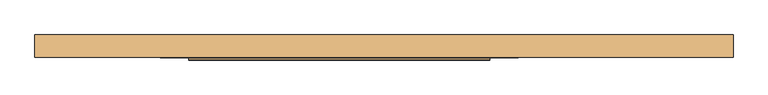
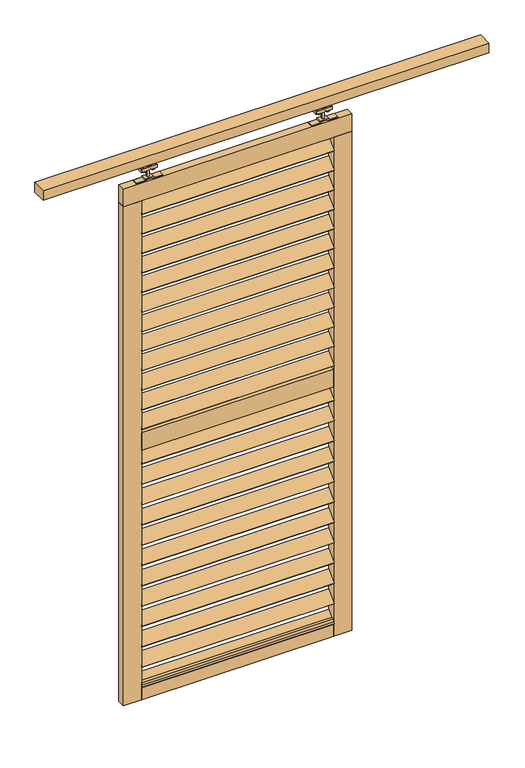
"""IFC4 building model written with IfcOpenShell, lengths in millimetres: door geometry."""

from ifc_helpers import new_model, si_unit, point, frame, frame_2d, origin, place, context, project, spatial, polyline, circle_curve, trimmed, segment, composite_curve, outline, extrude, source, transform, mapped, element, save


def door_cfd5675d(model_context):
    return source(origin(), model_context, "Body", "SweptSolid", [
        extrude(outline(polyline([(0.0, -5.0), (0.0, 0.0), (840.0, 0.0), (840.0, -5.0), (0.0, -5.0)])), frame((-472.5, -24.1880102, 2195.6099387), z_axis=(0.0, 0.7071067811865482, 0.707106781186547), x_axis=(1.0, 0.0, 0.0)), (0.0, 0.0, 1.0), 60.0),
        extrude(outline(polyline([(0.0, -5.0), (0.0, 0.0), (840.0, 0.0), (840.0, -5.0), (0.0, -5.0)])), frame((-472.5, -24.1880102, 1037.4735751), z_axis=(0.0, 0.7071067811865482, 0.707106781186547), x_axis=(1.0, 0.0, 0.0)), (0.0, 0.0, 1.0), 60.0),
        extrude(outline(polyline([(0.0, -5.0), (0.0, 0.0), (840.0, 0.0), (840.0, -5.0), (0.0, -5.0)])), frame((-472.5, -24.1880102, 2105.2008478), z_axis=(0.0, 0.7071067811865482, 0.707106781186547), x_axis=(1.0, 0.0, 0.0)), (0.0, 0.0, 1.0), 60.0),
        extrude(outline(polyline([(0.0, -5.0), (0.0, 0.0), (840.0, 0.0), (840.0, -5.0), (0.0, -5.0)])), frame((-472.5, -24.1880102, 2014.7917569), z_axis=(0.0, 0.7071067811865482, 0.707106781186547), x_axis=(1.0, 0.0, 0.0)), (0.0, 0.0, 1.0), 60.0),
        extrude(outline(polyline([(0.0, -5.0), (0.0, 0.0), (840.0, 0.0), (840.0, -5.0), (0.0, -5.0)])), frame((-472.5, -24.1880102, 1924.382666), z_axis=(0.0, 0.7071067811865482, 0.707106781186547), x_axis=(1.0, 0.0, 0.0)), (0.0, 0.0, 1.0), 60.0),
        extrude(outline(polyline([(0.0, -5.0), (0.0, 0.0), (840.0, 0.0), (840.0, -5.0), (0.0, -5.0)])), frame((-472.5, -24.1880102, 1833.9735751), z_axis=(0.0, 0.7071067811865482, 0.707106781186547), x_axis=(1.0, 0.0, 0.0)), (0.0, 0.0, 1.0), 60.0),
        extrude(outline(polyline([(0.0, -5.0), (0.0, 0.0), (840.0, 0.0), (840.0, -5.0), (0.0, -5.0)])), frame((-472.5, -24.1880102, 943.4281205), z_axis=(0.0, 0.7071067811865482, 0.707106781186547), x_axis=(1.0, 0.0, 0.0)), (0.0, 0.0, 1.0), 60.0),
        extrude(outline(polyline([(0.0, -5.0), (0.0, 0.0), (840.0, 0.0), (840.0, -5.0), (0.0, -5.0)])), frame((-472.5, -24.1880102, 849.382666), z_axis=(0.0, 0.7071067811865482, 0.707106781186547), x_axis=(1.0, 0.0, 0.0)), (0.0, 0.0, 1.0), 60.0),
        extrude(outline(polyline([(0.0, -5.0), (0.0, 0.0), (840.0, 0.0), (840.0, -5.0), (0.0, -5.0)])), frame((-472.5, -24.1880102, 755.3372114), z_axis=(0.0, 0.7071067811865482, 0.707106781186547), x_axis=(1.0, 0.0, 0.0)), (0.0, 0.0, 1.0), 60.0),
        extrude(outline(polyline([(0.0, -5.0), (0.0, 0.0), (840.0, 0.0), (840.0, -5.0), (0.0, -5.0)])), frame((-472.5, -24.1880102, 661.2917569), z_axis=(0.0, 0.7071067811865482, 0.707106781186547), x_axis=(1.0, 0.0, 0.0)), (0.0, 0.0, 1.0), 60.0),
        extrude(outline(polyline([(0.0, -5.0), (0.0, 0.0), (840.0, 0.0), (840.0, -5.0), (0.0, -5.0)])), frame((-472.5, -24.1880102, 1743.5644842), z_axis=(0.0, 0.7071067811865482, 0.707106781186547), x_axis=(1.0, 0.0, 0.0)), (0.0, 0.0, 1.0), 60.0),
        extrude(outline(polyline([(0.0, -5.0000001), (0.0, 0.0), (840.0, 0.0), (840.0, -5.0000001), (0.0, -5.0000001)])), frame((-472.5, -24.1880102, 1653.1553932), z_axis=(0.0, 0.7071067811865482, 0.707106781186547), x_axis=(1.0, 0.0, 0.0)), (0.0, 0.0, 1.0), 60.0),
        extrude(outline(polyline([(0.0, -5.0), (0.0, 0.0), (840.0, 0.0), (840.0, -5.0), (0.0, -5.0)])), frame((-472.5, -24.1880102, 1562.7463023), z_axis=(0.0, 0.7071067811865482, 0.707106781186547), x_axis=(1.0, 0.0, 0.0)), (0.0, 0.0, 1.0), 60.0),
        extrude(outline(polyline([(0.0, -5.0), (0.0, 0.0), (840.0, 0.0), (840.0, -5.0), (0.0, -5.0)])), frame((-472.5, -24.1880102, 1472.3372114), z_axis=(0.0, 0.7071067811865482, 0.707106781186547), x_axis=(1.0, 0.0, 0.0)), (0.0, 0.0, 1.0), 60.0),
        extrude(outline(polyline([(0.0, -5.0), (0.0, 0.0), (840.0, 0.0), (840.0, -5.0), (0.0, -5.0)])), frame((-472.5, -24.1880102, 1381.9281205), z_axis=(0.0, 0.7071067811865482, 0.707106781186547), x_axis=(1.0, 0.0, 0.0)), (0.0, 0.0, 1.0), 60.0),
        extrude(outline(polyline([(0.0, -5.0), (0.0, 0.0), (840.0, 0.0), (840.0, -5.0), (0.0, -5.0)])), frame((-472.5, -24.1880102, 2286.0190296), z_axis=(0.0, 0.7071067811865482, 0.707106781186547), x_axis=(1.0, 0.0, 0.0)), (0.0, 0.0, 1.0), 60.0),
        extrude(outline(polyline([(0.0, -5.0), (0.0, 0.0), (840.0, 0.0), (840.0, -5.0), (0.0, -5.0)])), frame((-472.5, -24.1880102, 1291.5190296), z_axis=(0.0, 0.7071067811865482, 0.707106781186547), x_axis=(1.0, 0.0, 0.0)), (0.0, 0.0, 1.0), 60.0),
        extrude(outline(polyline([(0.0, -5.0), (0.0, 0.0), (840.0, 0.0), (840.0, -5.0), (0.0, -5.0)])), frame((-472.5, -24.1880102, 567.2463023), z_axis=(0.0, 0.7071067811865482, 0.707106781186547), x_axis=(1.0, 0.0, 0.0)), (0.0, 0.0, 1.0), 60.0),
        extrude(outline(polyline([(0.0, -5.0), (0.0, 0.0), (840.0, 0.0), (840.0, -5.0), (0.0, -5.0)])), frame((-472.5, -24.1880102, 473.2008478), z_axis=(0.0, 0.7071067811865482, 0.707106781186547), x_axis=(1.0, 0.0, 0.0)), (0.0, 0.0, 1.0), 60.0),
        extrude(outline(polyline([(0.0, -5.0000001), (0.0, 0.0), (840.0, 0.0), (840.0, -5.0000001), (0.0, -5.0000001)])), frame((-472.5, -24.1880102, 379.1553932), z_axis=(0.0, 0.7071067811865482, 0.707106781186547), x_axis=(1.0, 0.0, 0.0)), (0.0, 0.0, 1.0), 60.0),
        extrude(outline(polyline([(0.0, -5.0), (0.0, 0.0), (840.0, 0.0), (840.0, -5.0), (0.0, -5.0)])), frame((-472.5, -24.1880102, 285.1099387), z_axis=(0.0, 0.7071067811865482, 0.707106781186547), x_axis=(1.0, 0.0, 0.0)), (0.0, 0.0, 1.0), 60.0),
        extrude(outline(polyline([(0.0, -5.0), (0.0, 0.0), (840.0, 0.0), (840.0, -5.0), (0.0, -5.0)])), frame((-472.5, -24.1880102, 191.0644842), z_axis=(0.0, 0.7071067811865482, 0.707106781186547), x_axis=(1.0, 0.0, 0.0)), (0.0, 0.0, 1.0), 60.0),
        extrude(outline(polyline([(0.0, -5.0), (0.0, 0.0), (840.0, 0.0), (840.0, -5.0), (0.0, -5.0)])), frame((-472.5, -24.1880102, 1131.5190296), z_axis=(0.0, 0.7071067811865482, 0.707106781186547), x_axis=(1.0, 0.0, 0.0)), (0.0, 0.0, 1.0), 60.0),
        extrude(outline(polyline([(0.0, -5.0), (0.0, 0.0), (840.0, 0.0), (840.0, -5.0), (0.0, -5.0)])), frame((-472.5, -24.1880102, 97.0190296), z_axis=(0.0, 0.7071067811865482, 0.707106781186547), x_axis=(1.0, 0.0, 0.0)), (0.0, 0.0, 1.0), 60.0),
        extrude(outline(polyline([(367.5, -22.2425737), (-472.5, -22.2425737), (-472.5, 12.7574263), (367.5, 12.7574263), (367.5, -22.2425737)])), frame((0.0, 0.0, 1194.5), z_axis=(0.0, 0.0, 1.0), x_axis=(1.0, 0.0, 0.0)), (0.0, 0.0, 1.0), 80.0),
        extrude(outline(polyline([(367.5, -22.2425737), (-472.5, -22.2425737), (-472.5, 12.7574263), (367.5, 12.7574263), (367.5, -22.2425737)])), frame((0.0, 0.0, 40.0), z_axis=(0.0, 0.0, 1.0), x_axis=(1.0, 0.0, 0.0)), (0.0, 0.0, 1.0), 80.0),
        extrude(outline(polyline([(447.5, -22.2425737), (-552.5, -22.2425737), (-552.5, 12.7574263), (447.5, 12.7574263), (447.5, -22.2425737)])), frame((0.0, 0.0, 2349.0), z_axis=(0.0, 0.0, 1.0), x_axis=(1.0, 0.0, 0.0)), (0.0, 0.0, 1.0), 80.0),
        extrude(outline(polyline([(-472.5, -22.2425737), (-552.5, -22.2425737), (-552.5, 12.7574263), (-472.5, 12.7574263), (-472.5, -22.2425737)])), frame((0.0, 0.0, 40.0), z_axis=(0.0, 0.0, 1.0), x_axis=(1.0, 0.0, 0.0)), (0.0, 0.0, 1.0), 2309.0),
        extrude(outline(polyline([(447.5, -22.2425737), (367.5, -22.2425737), (367.5, 12.7574263), (447.5, 12.7574263), (447.5, -22.2425737)])), frame((0.0, 0.0, 40.0), z_axis=(0.0, 0.0, 1.0), x_axis=(1.0, 0.0, 0.0)), (0.0, 0.0, 1.0), 2309.0),
        extrude(outline(composite_curve([segment(trimmed(circle_curve(frame_2d((2482.430297, -454.25)), 13.5), [point((2482.430297, -467.75))], [point((2482.430297, -440.75))], False, "CARTESIAN"), True, "CONTINUOUS"), segment(trimmed(circle_curve(frame_2d((2482.430297, -454.25)), 13.5), [point((2482.430297, -440.75))], [point((2482.430297, -467.75))], False, "CARTESIAN"), True, "CONTINUOUS")], self_intersect=False)), frame((0.0, -13.9509888, 0.0), z_axis=(0.0, 1.0, 0.0), x_axis=(0.0, 0.0, 1.0)), (0.0, 0.0, 1.0), 5.2084151),
        extrude(outline(composite_curve([segment(trimmed(circle_curve(frame_2d((2482.430297, -416.75)), 13.5), [point((2482.430297, -403.25))], [point((2482.430297, -430.25))], False, "CARTESIAN"), True, "CONTINUOUS"), segment(trimmed(circle_curve(frame_2d((2482.430297, -416.75)), 13.5), [point((2482.430297, -430.25))], [point((2482.430297, -403.25))], False, "CARTESIAN"), True, "CONTINUOUS")], self_intersect=False)), frame((0.0, -13.9509888, 0.0), z_axis=(0.0, 1.0, 0.0), x_axis=(0.0, 0.0, 1.0)), (0.0, 0.0, 1.0), 5.2084151),
        extrude(outline(composite_curve([segment(trimmed(circle_curve(frame_2d((2482.430297, -454.25)), 13.5), [point((2482.430297, -467.75))], [point((2482.430297, -440.75))], False, "CARTESIAN"), True, "CONTINUOUS"), segment(trimmed(circle_curve(frame_2d((2482.430297, -454.25)), 13.5), [point((2482.430297, -440.75))], [point((2482.430297, -467.75))], False, "CARTESIAN"), True, "CONTINUOUS")], self_intersect=False)), frame((0.0, -0.7425737, 0.0), z_axis=(0.0, 1.0, 0.0), x_axis=(0.0, 0.0, 1.0)), (0.0, 0.0, 1.0), 5.0880554),
        extrude(outline(composite_curve([segment(trimmed(circle_curve(frame_2d((2482.430297, -416.75)), 13.5), [point((2482.430297, -403.25))], [point((2482.430297, -430.25))], False, "CARTESIAN"), True, "CONTINUOUS"), segment(trimmed(circle_curve(frame_2d((2482.430297, -416.75)), 13.5), [point((2482.430297, -430.25))], [point((2482.430297, -403.25))], False, "CARTESIAN"), True, "CONTINUOUS")], self_intersect=False)), frame((0.0, -0.7425737, 0.0), z_axis=(0.0, 1.0, 0.0), x_axis=(0.0, 0.0, 1.0)), (0.0, 0.0, 1.0), 5.0880554),
        extrude(outline(polyline([(-470.5, -15.2425737), (-470.5, 5.7574263), (-400.5, 5.7574263), (-400.5, -15.2425737), (-470.5, -15.2425737)])), frame((0.0, 0.0, 2474.5), z_axis=(0.0, 0.0, 1.0), x_axis=(1.0, 0.0, 0.0)), (0.0, 0.0, 1.0), 13.0),
        extrude(outline(polyline([(-439.5, -8.7425737), (-439.5, -0.7425737), (-431.5, -0.7425737), (-431.5, -8.7425737), (-439.5, -8.7425737)])), frame((0.0, 0.0, 2433.0), z_axis=(0.0, 0.0, 1.0), x_axis=(1.0, 0.0, 0.0)), (0.0, 0.0, 1.0), 56.0),
        extrude(outline(polyline([(2433.0, -378.5), (2433.0, -416.5), (2439.0, -416.5), (2439.0, -454.5), (2433.0, -454.5), (2433.0, -492.5), (2429.0, -492.5), (2429.0, -450.5), (2435.0, -450.5), (2435.0, -420.5), (2429.0, -420.5), (2429.0, -378.5), (2433.0, -378.5)])), frame((0.0, -17.7425737, 0.0), z_axis=(0.0, 1.0, 0.0), x_axis=(0.0, 0.0, 1.0)), (0.0, 0.0, 1.0), 26.0),
        extrude(outline(composite_curve([segment(trimmed(circle_curve(frame_2d((2482.430297, 349.25)), 13.5), [point((2482.430297, 362.75))], [point((2482.430297, 335.75))], False, "CARTESIAN"), True, "CONTINUOUS"), segment(trimmed(circle_curve(frame_2d((2482.430297, 349.25)), 13.5), [point((2482.430297, 335.75))], [point((2482.430297, 362.75))], False, "CARTESIAN"), True, "CONTINUOUS")], self_intersect=False)), frame((0.0, -13.9509888, 0.0), z_axis=(0.0, 1.0, 0.0), x_axis=(0.0, 0.0, 1.0)), (0.0, 0.0, 1.0), 5.2084151),
        extrude(outline(composite_curve([segment(trimmed(circle_curve(frame_2d((2482.430297, 311.75)), 13.5), [point((2482.430297, 298.25))], [point((2482.430297, 325.25))], False, "CARTESIAN"), True, "CONTINUOUS"), segment(trimmed(circle_curve(frame_2d((2482.430297, 311.75)), 13.5), [point((2482.430297, 325.25))], [point((2482.430297, 298.25))], False, "CARTESIAN"), True, "CONTINUOUS")], self_intersect=False)), frame((0.0, -13.9509888, 0.0), z_axis=(0.0, 1.0, 0.0), x_axis=(0.0, 0.0, 1.0)), (0.0, 0.0, 1.0), 5.2084151),
        extrude(outline(composite_curve([segment(trimmed(circle_curve(frame_2d((2482.430297, 349.25)), 13.5), [point((2482.430297, 362.75))], [point((2482.430297, 335.75))], False, "CARTESIAN"), True, "CONTINUOUS"), segment(trimmed(circle_curve(frame_2d((2482.430297, 349.25)), 13.5), [point((2482.430297, 335.75))], [point((2482.430297, 362.75))], False, "CARTESIAN"), True, "CONTINUOUS")], self_intersect=False)), frame((0.0, -0.7425737, 0.0), z_axis=(0.0, 1.0, 0.0), x_axis=(0.0, 0.0, 1.0)), (0.0, 0.0, 1.0), 5.0880554),
        extrude(outline(composite_curve([segment(trimmed(circle_curve(frame_2d((2482.430297, 311.75)), 13.5), [point((2482.430297, 298.25))], [point((2482.430297, 325.25))], False, "CARTESIAN"), True, "CONTINUOUS"), segment(trimmed(circle_curve(frame_2d((2482.430297, 311.75)), 13.5), [point((2482.430297, 325.25))], [point((2482.430297, 298.25))], False, "CARTESIAN"), True, "CONTINUOUS")], self_intersect=False)), frame((0.0, -0.7425737, 0.0), z_axis=(0.0, 1.0, 0.0), x_axis=(0.0, 0.0, 1.0)), (0.0, 0.0, 1.0), 5.0880554),
        extrude(outline(polyline([(365.5, -15.2425737), (295.5, -15.2425737), (295.5, 5.7574263), (365.5, 5.7574263), (365.5, -15.2425737)])), frame((0.0, 0.0, 2474.5), z_axis=(0.0, 0.0, 1.0), x_axis=(1.0, 0.0, 0.0)), (0.0, 0.0, 1.0), 13.0),
        extrude(outline(polyline([(334.5, -8.7425737), (326.5, -8.7425737), (326.5, -0.7425737), (334.5, -0.7425737), (334.5, -8.7425737)])), frame((0.0, 0.0, 2433.0), z_axis=(0.0, 0.0, 1.0), x_axis=(1.0, 0.0, 0.0)), (0.0, 0.0, 1.0), 56.0),
        extrude(outline(polyline([(2433.0, 273.5), (2429.0, 273.5), (2429.0, 315.5), (2435.0, 315.5), (2435.0, 345.5), (2429.0, 345.5), (2429.0, 387.5), (2433.0, 387.5), (2433.0, 349.5), (2439.0, 349.5), (2439.0, 311.5), (2433.0, 311.5), (2433.0, 273.5)])), frame((0.0, -17.7425737, 0.0), z_axis=(0.0, 1.0, 0.0), x_axis=(0.0, 0.0, 1.0)), (0.0, 0.0, 1.0), 26.0),
        extrude(outline(polyline([(1047.5, 42.0), (1047.5, -20.0), (-902.5, -20.0), (-902.5, 42.0), (1047.5, 42.0)])), frame((0.0, 0.0, 2500.0), z_axis=(0.0, 0.0, 1.0), x_axis=(1.0, 0.0, 0.0)), (0.0, 0.0, 1.0), 45.0),
    ])


if __name__ == "__main__":
    model = new_model("IFC4")
    model_context = context("Model", 3, world=origin())
    ifc_project = project(units=[si_unit("LENGTHUNIT", "METRE", prefix="MILLI")], contexts=[model_context])
    site = spatial("IfcSite", under=ifc_project)
    building = spatial("IfcBuilding", under=site)
    placement = place(None, origin())
    door_shape = door_cfd5675d(model_context)
    element("IfcDoor", 1, at=placement, inside=building, context=model_context, shape_type="MappedRepresentation", body=[
        mapped(door_shape, transform((0.0, 0.0, 0.0), x_axis=(1.0, 0.0, 0.0), y_axis=(0.0, 1.0, 0.0), z_axis=(0.0, 0.0, 1.0))),
    ])
    save(model, "model.ifc")
